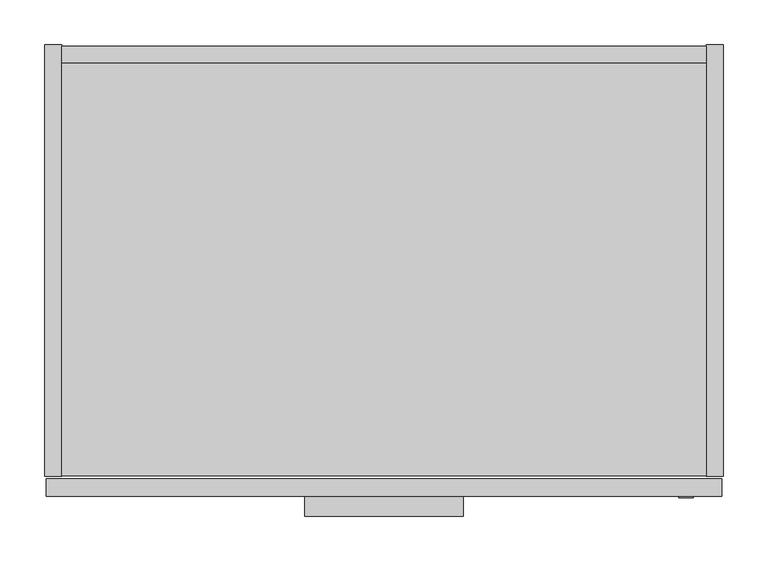
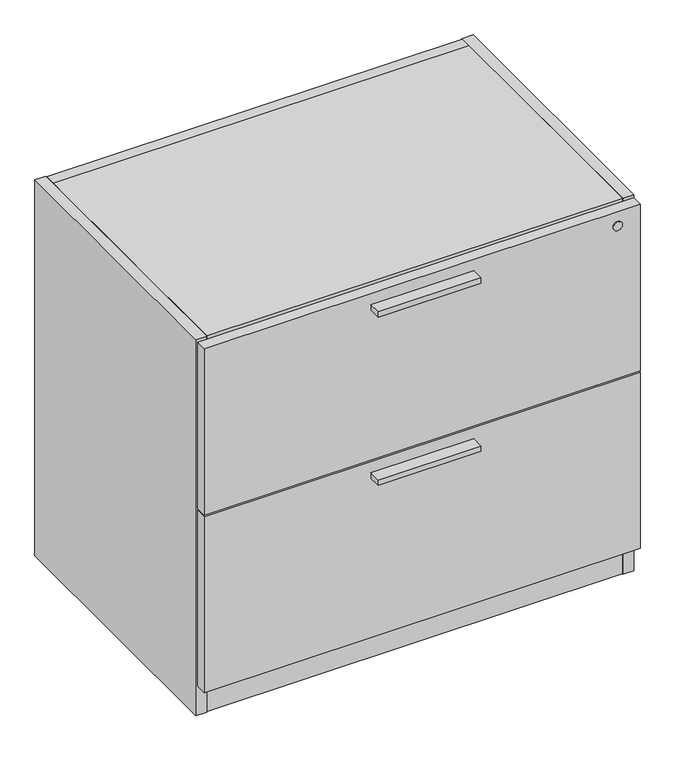
"""IFC4 building model written with IfcOpenShell, lengths in millimetres: furniture geometry."""

import ifcopenshell
import ifcopenshell.guid

model = None  # the IFC model being written
_history = None  # IfcOwnerHistory: only IFC2X3 demands one
_inside = {}  # id of a spatial element -> (the spatial element, [elements in it])
_under = {}  # id of a project, library or spatial element -> (it, [spatial elements below it])
_declared = {}  # id of a project -> (the project, [libraries it declares])
_typed = {}  # id of a type object -> (the type object, [elements of that type])
_made_of = {}  # id of a material, layer set ... -> (it, [elements and type objects made of it])


def new_model(schema):
    """Start an empty IFC model of exactly this schema.

    Asked for "IFC4X3", IfcOpenShell would pick the latest addendum, in which some entities
    have other attributes; the version numbers below select the first issue.
    IFC2X3 requires an IfcOwnerHistory on every rooted entity: one is made here for all.
    """
    global model, _history
    if schema == "IFC4X3":
        model = ifcopenshell.file(schema_version=(4, 3, 0, 0))
    else:
        model = ifcopenshell.file(schema=schema)
    _inside.clear()
    _under.clear()
    _declared.clear()
    _typed.clear()
    _made_of.clear()
    _history = None
    if model.schema == "IFC2X3":
        org = make("IfcOrganization", Name="unknown")
        user = make(
            "IfcPersonAndOrganization",
            ThePerson=make("IfcPerson", FamilyName="unknown"),
            TheOrganization=org,
        )
        app = make(
            "IfcApplication",
            ApplicationDeveloper=org,
            Version="unknown",
            ApplicationFullName="unknown",
            ApplicationIdentifier="unknown",
        )
        _history = make(
            "IfcOwnerHistory",
            OwningUser=user,
            OwningApplication=app,
            ChangeAction="ADDED",
            CreationDate=0,
        )
    return model


def make(cls, **values):
    """One entity of the class cls with the attributes given. An attribute that is None is left unset."""
    return model.create_entity(
        cls, **{name: value for name, value in values.items() if value is not None}
    )


def rooted(cls, **values):
    """An entity with a GlobalId (a new one), such as an element, a storey or a relation."""
    return make(cls, GlobalId=ifcopenshell.guid.new(), OwnerHistory=_history, **values)


def si_unit(unit_type, name, prefix=None):
    """IfcSIUnit, for example si_unit("LENGTHUNIT", "METRE", prefix="MILLI")."""
    return make("IfcSIUnit", UnitType=unit_type, Prefix=prefix, Name=name)


def assignment(units):
    """IfcUnitAssignment: the units of a project."""
    return None if units is None else make("IfcUnitAssignment", Units=units)


def point(xyz):
    """IfcCartesianPoint."""
    return None if xyz is None else make("IfcCartesianPoint", Coordinates=xyz)


def direction(xyz):
    """IfcDirection."""
    return None if xyz is None else make("IfcDirection", DirectionRatios=xyz)


def frame(location, z_axis=None, x_axis=None):
    """IfcAxis2Placement3D, a coordinate frame: its origin and axes. An axis left out is left unset."""
    return make(
        "IfcAxis2Placement3D",
        Location=point(location),
        Axis=direction(z_axis),
        RefDirection=direction(x_axis),
    )


def frame_2d(location, x_axis=None):
    """IfcAxis2Placement2D, a coordinate frame in the plane: its origin and x axis."""
    return make(
        "IfcAxis2Placement2D", Location=point(location), RefDirection=direction(x_axis)
    )


def origin():
    """The frame at (0, 0, 0) with its axes left unset."""
    return frame((0.0, 0.0, 0.0))


def origin_with_axes():
    """The frame at (0, 0, 0) with the z axis (0, 0, 1) and the x axis (1, 0, 0) written out."""
    return frame((0.0, 0.0, 0.0), z_axis=(0.0, 0.0, 1.0), x_axis=(1.0, 0.0, 0.0))


def place(relative_to, where):
    """IfcLocalPlacement: puts the frame where relative to a parent placement (None: the world)."""
    return make(
        "IfcLocalPlacement", PlacementRelTo=relative_to, RelativePlacement=where
    )


def context(
    kind, dimensions, precision=None, world=None, true_north=None, identifier=None
):
    """IfcGeometricRepresentationContext, for example the 3D "Model" context."""
    return make(
        "IfcGeometricRepresentationContext",
        ContextIdentifier=identifier,
        ContextType=kind,
        CoordinateSpaceDimension=dimensions,
        Precision=precision,
        WorldCoordinateSystem=world,
        TrueNorth=true_north,
    )


def project(units=None, contexts=None):
    """IfcProject with its units and contexts."""
    return rooted(
        "IfcProject",
        Name="project",
        RepresentationContexts=contexts,
        UnitsInContext=assignment(units),
    )


def spatial(cls, under=None, at=None, **own):
    """A site, building, storey or space (cls), placed at a placement, below another one or the project."""
    s = rooted(cls, ObjectPlacement=at, **own)
    if under is not None:
        _under.setdefault(under.id(), (under, []))[1].append(s)
    return s


def polyline(points):
    """IfcPolyline through the points."""
    return make("IfcPolyline", Points=[point(p) for p in points])


def circle_curve(where, radius):
    """IfcCircle in the frame where."""
    return make("IfcCircle", Position=where, Radius=radius)


def trimmed(basis, trim1, trim2, sense, master):
    """IfcTrimmedCurve: the piece of a basis curve between two trims."""
    return make(
        "IfcTrimmedCurve",
        BasisCurve=basis,
        Trim1=trim1,
        Trim2=trim2,
        SenseAgreement=sense,
        MasterRepresentation=master,
    )


def segment(curve, same_sense, transition):
    """IfcCompositeCurveSegment."""
    return make(
        "IfcCompositeCurveSegment",
        Transition=transition,
        SameSense=same_sense,
        ParentCurve=curve,
    )


def composite_curve(segments, self_intersect=None):
    """IfcCompositeCurve: segments joined end to end."""
    return make("IfcCompositeCurve", Segments=segments, SelfIntersect=self_intersect)


def outline(outer, holes=None, kind="AREA"):
    """IfcArbitraryClosedProfileDef: a profile drawn as a closed curve; with holes, ...WithVoids."""
    if holes is None:
        return make("IfcArbitraryClosedProfileDef", ProfileType=kind, OuterCurve=outer)
    return make(
        "IfcArbitraryProfileDefWithVoids",
        ProfileType=kind,
        OuterCurve=outer,
        InnerCurves=holes,
    )


def extrude(swept, where, along, depth):
    """IfcExtrudedAreaSolid: the profile swept, set in the frame where, extruded along a direction by depth."""
    return make(
        "IfcExtrudedAreaSolid",
        SweptArea=swept,
        Position=where,
        ExtrudedDirection=direction(along),
        Depth=depth,
    )


def shape(context_of_items, identifier, shape_type, items):
    """IfcShapeRepresentation: the items that make up one representation, for example the "Body"."""
    return make(
        "IfcShapeRepresentation",
        ContextOfItems=context_of_items,
        RepresentationIdentifier=identifier,
        RepresentationType=shape_type,
        Items=items,
    )


def source(mapping_origin, context_of_items, identifier, shape_type, items):
    """IfcRepresentationMap: a shape defined once, which mapped items show again and again."""
    return make(
        "IfcRepresentationMap",
        MappingOrigin=mapping_origin,
        MappedRepresentation=shape(context_of_items, identifier, shape_type, items),
    )


def transform(
    local_origin,
    x_axis=None,
    y_axis=None,
    z_axis=None,
    scale=None,
    scale2=None,
    scale3=None,
    uniform=True,
):
    """IfcCartesianTransformationOperator3D, or its non-uniform kind. x_axis, y_axis, z_axis: its Axis1, 2, 3."""
    if uniform:
        return make(
            "IfcCartesianTransformationOperator3D",
            Axis1=direction(x_axis),
            Axis2=direction(y_axis),
            LocalOrigin=point(local_origin),
            Scale=scale,
            Axis3=direction(z_axis),
        )
    return make(
        "IfcCartesianTransformationOperator3DnonUniform",
        Axis1=direction(x_axis),
        Axis2=direction(y_axis),
        LocalOrigin=point(local_origin),
        Scale=scale,
        Axis3=direction(z_axis),
        Scale2=scale2,
        Scale3=scale3,
    )


def mapped(mapping_source, mapping_target):
    """IfcMappedItem: shows the shape of a source again, moved by a transform."""
    return make(
        "IfcMappedItem", MappingSource=mapping_source, MappingTarget=mapping_target
    )


def made_of(thing, what):
    """Note that an element or type object is made of a material, layer set ...; save() writes the relation."""
    if what is not None:
        _made_of.setdefault(what.id(), (what, []))[1].append(thing)
    return thing


def element(
    cls,
    number,
    at=None,
    inside=None,
    cuts=None,
    type_object=None,
    material=None,
    context=None,
    identifier="Body",
    shape_type=None,
    held_by="IfcProductDefinitionShape",
    body=None,
    shapes=None,
    **own,
):
    """One element of the class cls, such as IfcWall. Its Tag is "e" and its number.

    at: its placement. inside: the storey or other place that contains it. cuts: it is an
    opening in that element (IfcRelVoidsElement). A single representation is given by context,
    identifier, shape_type and body (its items); several are given by shapes. held_by: the class
    of the entity that holds the representations. save() writes the other relations.
    """
    e = rooted(cls, Tag="e%d" % number, ObjectPlacement=at, **own)
    if body is not None:
        shapes = [shape(context, identifier, shape_type, body)]
    if shapes is not None:
        e.Representation = make(held_by, Representations=shapes)
    if inside is not None:
        _inside.setdefault(inside.id(), (inside, []))[1].append(e)
    if cuts is not None:
        rooted(
            "IfcRelVoidsElement", RelatingBuildingElement=cuts, RelatedOpeningElement=e
        )
    if type_object is not None:
        _typed.setdefault(type_object.id(), (type_object, []))[1].append(e)
    return made_of(e, material)


def aggregate(whole, parts):
    """IfcRelAggregates: a whole, such as a stair, and the parts it consists of."""
    return rooted("IfcRelAggregates", RelatingObject=whole, RelatedObjects=parts)


def save(model, path):
    """Write the relations noted so far, then the file.

    IfcRelAggregates (storeys below a building ...), IfcRelContainedInSpatialStructure (elements
    in a storey), IfcRelDefinesByType, IfcRelAssociatesMaterial and IfcRelDeclares: one each for
    every whole, place, type object, material and project.
    """
    for whole, parts in _under.values():
        aggregate(whole, parts)
    for where, things in _inside.values():
        rooted(
            "IfcRelContainedInSpatialStructure",
            RelatedElements=things,
            RelatingStructure=where,
        )
    for kind, things in _typed.values():
        rooted("IfcRelDefinesByType", RelatedObjects=things, RelatingType=kind)
    for what, things in _made_of.values():
        rooted("IfcRelAssociatesMaterial", RelatedObjects=things, RelatingMaterial=what)
    for by, libraries in _declared.values():
        rooted("IfcRelDeclares", RelatingContext=by, RelatedDefinitions=libraries)
    model.write(path)


def furniture_6ecd2ba6(model_context):
    return source(origin(), model_context, "Body", "SweptSolid", [
        extrude(outline(polyline([(34.8521422, -417.7168713), (50.8, -408.5093713), (66.7478578, -417.7168713), (66.7478578, -436.1318713), (50.8, -445.3393713), (34.8521422, -436.1318713), (34.8521422, -417.7168713)])), origin_with_axes(), (0.0, 0.0, 1.0), 9.144),
        extrude(outline(polyline([(692.0771422, -417.7168713), (708.025, -408.5093713), (723.9728578, -417.7168713), (723.9728578, -436.1318713), (708.025, -445.3393713), (692.0771422, -436.1318713), (692.0771422, -417.7168713)])), origin_with_axes(), (0.0, 0.0, 1.0), 9.144),
        extrude(outline(polyline([(692.0771422, -24.2708713), (708.025, -15.0633713), (723.9728578, -24.2708713), (723.9728578, -42.6858713), (708.025, -51.8933713), (692.0771422, -42.6858713), (692.0771422, -24.2708713)])), origin_with_axes(), (0.0, 0.0, 1.0), 9.144),
        extrude(outline(polyline([(34.8521422, -24.2708713), (50.8, -15.0633713), (66.7478578, -24.2708713), (66.7478578, -42.6858713), (50.8, -51.8933713), (34.8521422, -42.6858713), (34.8521422, -24.2708713)])), origin_with_axes(), (0.0, 0.0, 1.0), 9.144),
        extrude(outline(polyline([(468.3125, -509.7283713), (290.5125, -509.7283713), (290.5125, -487.5033713), (468.3125, -487.5033713), (468.3125, -509.7283713)])), frame((0.0, 0.0, 351.92208), z_axis=(0.0, 0.0, 1.0), x_axis=(1.0, 0.0, 0.0)), (0.0, 0.0, 1.0), 9.525),
        extrude(outline(polyline([(468.3125, -509.7283713), (290.5125, -509.7283713), (290.5125, -487.5033713), (468.3125, -487.5033713), (468.3125, -509.7283713)])), frame((0.0, 0.0, 659.89708), z_axis=(0.0, 0.0, 1.0), x_axis=(1.0, 0.0, 0.0)), (0.0, 0.0, 1.0), 9.525),
        extrude(outline(polyline([(757.2375, -468.1993713), (757.2375, -487.5033713), (1.5875, -487.5033713), (1.5875, -468.1993713), (757.2375, -468.1993713)])), frame((0.0, 0.0, 60.26658), z_axis=(0.0, 0.0, 1.0), x_axis=(1.0, 0.0, 0.0)), (0.0, 0.0, 1.0), 321.818),
        extrude(outline(polyline([(757.2375, -487.5033713), (1.5875, -487.5033713), (1.5875, -468.1993713), (757.2375, -468.1993713), (757.2375, -487.5033713)])), frame((0.0, 0.0, 385.25958), z_axis=(0.0, 0.0, 1.0), x_axis=(1.0, 0.0, 0.0)), (0.0, 0.0, 1.0), 304.8),
        extrude(outline(polyline([(739.521, -3.6460713), (739.521, -464.6433713), (19.304, -464.6433713), (19.304, -3.6460713), (739.521, -3.6460713)])), frame((0.0, 0.0, 673.93058), z_axis=(0.0, 0.0, 1.0), x_axis=(1.0, 0.0, 0.0)), (0.0, 0.0, 1.0), 19.304),
        extrude(outline(polyline([(739.521, -3.6460713), (739.521, -464.6433713), (19.304, -464.6433713), (19.304, -3.6460713), (739.521, -3.6460713)])), frame((0.0, 0.0, 374.02008), z_axis=(0.0, 0.0, 1.0), x_axis=(1.0, 0.0, 0.0)), (0.0, 0.0, 1.0), 19.304),
        extrude(outline(polyline([(739.521, 15.6579287), (739.521, -3.6460713), (19.304, -3.6460713), (19.304, 15.6579287), (739.521, 15.6579287)])), frame((0.0, 0.0, 4.699), z_axis=(0.0, 0.0, 1.0), x_axis=(1.0, 0.0, 0.0)), (0.0, 0.0, 1.0), 688.53558),
        extrude(outline(polyline([(739.521, -3.6460713), (739.521, -464.6433713), (19.304, -464.6433713), (19.304, -3.6460713), (739.521, -3.6460713)])), frame((0.0, 0.0, 60.26658), z_axis=(0.0, 0.0, 1.0), x_axis=(1.0, 0.0, 0.0)), (0.0, 0.0, 1.0), 19.304),
        extrude(outline(polyline([(739.521, -444.1963713), (739.521, -463.5003713), (19.304, -463.5003713), (19.304, -444.1963713), (739.521, -444.1963713)])), frame((0.0, 0.0, 4.699), z_axis=(0.0, 0.0, 1.0), x_axis=(1.0, 0.0, 0.0)), (0.0, 0.0, 1.0), 55.56758),
        extrude(outline(polyline([(19.304, 17.3216287), (19.304, -465.0243713), (0.0, -465.0243713), (0.0, 17.3216287), (19.304, 17.3216287)])), frame((0.0, 0.0, 4.699), z_axis=(0.0, 0.0, 1.0), x_axis=(1.0, 0.0, 0.0)), (0.0, 0.0, 1.0), 688.53558),
        extrude(outline(polyline([(758.825, 17.3216287), (758.825, -465.0243713), (739.521, -465.0243713), (739.521, 17.3216287), (758.825, 17.3216287)])), frame((0.0, 0.0, 4.699), z_axis=(0.0, 0.0, 1.0), x_axis=(1.0, 0.0, 0.0)), (0.0, 0.0, 1.0), 688.53558),
        extrude(outline(composite_curve([segment(trimmed(circle_curve(frame_2d((664.65958, 717.2325)), 8.001), [point((664.65958, 709.2315))], [point((664.65958, 725.2335))], False, "CARTESIAN"), True, "CONTINUOUS"), segment(trimmed(circle_curve(frame_2d((664.65958, 717.2325)), 8.001), [point((664.65958, 725.2335))], [point((664.65958, 709.2315))], False, "CARTESIAN"), True, "CONTINUOUS")], self_intersect=False)), frame((0.0, -489.0908713, 0.0), z_axis=(0.0, 1.0, 0.0), x_axis=(0.0, 0.0, 1.0)), (0.0, 0.0, 1.0), 1.5875),
    ])


if __name__ == "__main__":
    model = new_model("IFC4")
    model_context = context("Model", 3, world=origin())
    ifc_project = project(units=[si_unit("LENGTHUNIT", "METRE", prefix="MILLI")], contexts=[model_context])
    site = spatial("IfcSite", under=ifc_project)
    building = spatial("IfcBuilding", under=site)
    placement = place(None, origin())
    furniture_shape = furniture_6ecd2ba6(model_context)
    element("IfcFurniture", 1, at=placement, inside=building, context=model_context, shape_type="MappedRepresentation", body=[
        mapped(furniture_shape, transform((0.0, 0.0, 0.0), x_axis=(1.0, 0.0, 0.0), y_axis=(0.0, 1.0, 0.0), z_axis=(0.0, 0.0, 1.0))),
    ])
    save(model, "model.ifc")
